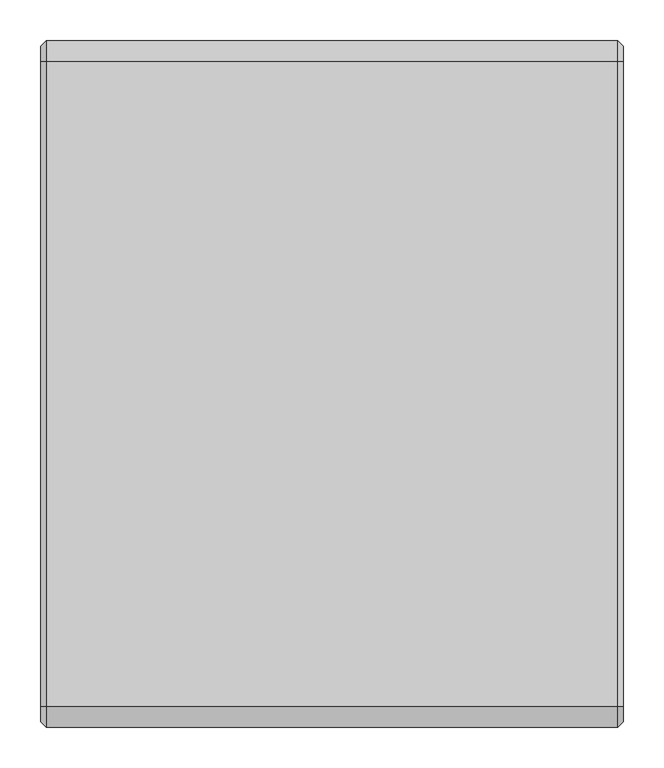
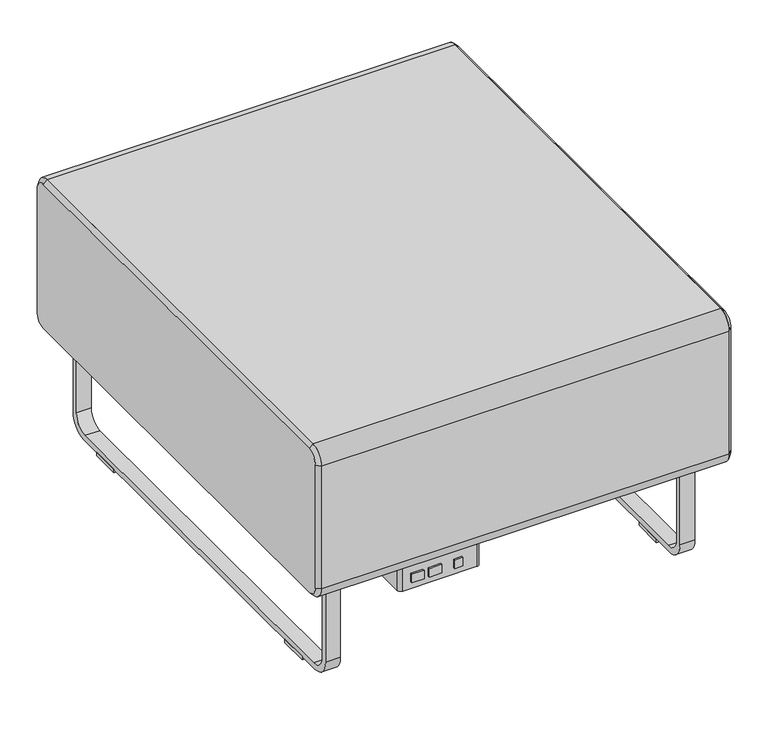
"""IFC4 building model written with IfcOpenShell, lengths in millimetres: furniture geometry."""

import ifcopenshell
import ifcopenshell.guid

model = None  # the IFC model being written
_history = None  # IfcOwnerHistory: only IFC2X3 demands one
_inside = {}  # id of a spatial element -> (the spatial element, [elements in it])
_under = {}  # id of a project, library or spatial element -> (it, [spatial elements below it])
_declared = {}  # id of a project -> (the project, [libraries it declares])
_typed = {}  # id of a type object -> (the type object, [elements of that type])
_made_of = {}  # id of a material, layer set ... -> (it, [elements and type objects made of it])


def new_model(schema):
    """Start an empty IFC model of exactly this schema.

    Asked for "IFC4X3", IfcOpenShell would pick the latest addendum, in which some entities
    have other attributes; the version numbers below select the first issue.
    IFC2X3 requires an IfcOwnerHistory on every rooted entity: one is made here for all.
    """
    global model, _history
    if schema == "IFC4X3":
        model = ifcopenshell.file(schema_version=(4, 3, 0, 0))
    else:
        model = ifcopenshell.file(schema=schema)
    _inside.clear()
    _under.clear()
    _declared.clear()
    _typed.clear()
    _made_of.clear()
    _history = None
    if model.schema == "IFC2X3":
        org = make("IfcOrganization", Name="unknown")
        user = make(
            "IfcPersonAndOrganization",
            ThePerson=make("IfcPerson", FamilyName="unknown"),
            TheOrganization=org,
        )
        app = make(
            "IfcApplication",
            ApplicationDeveloper=org,
            Version="unknown",
            ApplicationFullName="unknown",
            ApplicationIdentifier="unknown",
        )
        _history = make(
            "IfcOwnerHistory",
            OwningUser=user,
            OwningApplication=app,
            ChangeAction="ADDED",
            CreationDate=0,
        )
    return model


def make(cls, **values):
    """One entity of the class cls with the attributes given. An attribute that is None is left unset."""
    return model.create_entity(
        cls, **{name: value for name, value in values.items() if value is not None}
    )


def rooted(cls, **values):
    """An entity with a GlobalId (a new one), such as an element, a storey or a relation."""
    return make(cls, GlobalId=ifcopenshell.guid.new(), OwnerHistory=_history, **values)


def si_unit(unit_type, name, prefix=None):
    """IfcSIUnit, for example si_unit("LENGTHUNIT", "METRE", prefix="MILLI")."""
    return make("IfcSIUnit", UnitType=unit_type, Prefix=prefix, Name=name)


def assignment(units):
    """IfcUnitAssignment: the units of a project."""
    return None if units is None else make("IfcUnitAssignment", Units=units)


def point(xyz):
    """IfcCartesianPoint."""
    return None if xyz is None else make("IfcCartesianPoint", Coordinates=xyz)


def direction(xyz):
    """IfcDirection."""
    return None if xyz is None else make("IfcDirection", DirectionRatios=xyz)


def frame(location, z_axis=None, x_axis=None):
    """IfcAxis2Placement3D, a coordinate frame: its origin and axes. An axis left out is left unset."""
    return make(
        "IfcAxis2Placement3D",
        Location=point(location),
        Axis=direction(z_axis),
        RefDirection=direction(x_axis),
    )


def frame_2d(location, x_axis=None):
    """IfcAxis2Placement2D, a coordinate frame in the plane: its origin and x axis."""
    return make(
        "IfcAxis2Placement2D", Location=point(location), RefDirection=direction(x_axis)
    )


def origin():
    """The frame at (0, 0, 0) with its axes left unset."""
    return frame((0.0, 0.0, 0.0))


def origin_with_axes():
    """The frame at (0, 0, 0) with the z axis (0, 0, 1) and the x axis (1, 0, 0) written out."""
    return frame((0.0, 0.0, 0.0), z_axis=(0.0, 0.0, 1.0), x_axis=(1.0, 0.0, 0.0))


def place(relative_to, where):
    """IfcLocalPlacement: puts the frame where relative to a parent placement (None: the world)."""
    return make(
        "IfcLocalPlacement", PlacementRelTo=relative_to, RelativePlacement=where
    )


def context(
    kind, dimensions, precision=None, world=None, true_north=None, identifier=None
):
    """IfcGeometricRepresentationContext, for example the 3D "Model" context."""
    return make(
        "IfcGeometricRepresentationContext",
        ContextIdentifier=identifier,
        ContextType=kind,
        CoordinateSpaceDimension=dimensions,
        Precision=precision,
        WorldCoordinateSystem=world,
        TrueNorth=true_north,
    )


def project(units=None, contexts=None):
    """IfcProject with its units and contexts."""
    return rooted(
        "IfcProject",
        Name="project",
        RepresentationContexts=contexts,
        UnitsInContext=assignment(units),
    )


def spatial(cls, under=None, at=None, **own):
    """A site, building, storey or space (cls), placed at a placement, below another one or the project."""
    s = rooted(cls, ObjectPlacement=at, **own)
    if under is not None:
        _under.setdefault(under.id(), (under, []))[1].append(s)
    return s


def polyline(points):
    """IfcPolyline through the points."""
    return make("IfcPolyline", Points=[point(p) for p in points])


def circle_curve(where, radius):
    """IfcCircle in the frame where."""
    return make("IfcCircle", Position=where, Radius=radius)


def trimmed(basis, trim1, trim2, sense, master):
    """IfcTrimmedCurve: the piece of a basis curve between two trims."""
    return make(
        "IfcTrimmedCurve",
        BasisCurve=basis,
        Trim1=trim1,
        Trim2=trim2,
        SenseAgreement=sense,
        MasterRepresentation=master,
    )


def segment(curve, same_sense, transition):
    """IfcCompositeCurveSegment."""
    return make(
        "IfcCompositeCurveSegment",
        Transition=transition,
        SameSense=same_sense,
        ParentCurve=curve,
    )


def composite_curve(segments, self_intersect=None):
    """IfcCompositeCurve: segments joined end to end."""
    return make("IfcCompositeCurve", Segments=segments, SelfIntersect=self_intersect)


def outline(outer, holes=None, kind="AREA"):
    """IfcArbitraryClosedProfileDef: a profile drawn as a closed curve; with holes, ...WithVoids."""
    if holes is None:
        return make("IfcArbitraryClosedProfileDef", ProfileType=kind, OuterCurve=outer)
    return make(
        "IfcArbitraryProfileDefWithVoids",
        ProfileType=kind,
        OuterCurve=outer,
        InnerCurves=holes,
    )


def extrude(swept, where, along, depth):
    """IfcExtrudedAreaSolid: the profile swept, set in the frame where, extruded along a direction by depth."""
    return make(
        "IfcExtrudedAreaSolid",
        SweptArea=swept,
        Position=where,
        ExtrudedDirection=direction(along),
        Depth=depth,
    )


def shape(context_of_items, identifier, shape_type, items):
    """IfcShapeRepresentation: the items that make up one representation, for example the "Body"."""
    return make(
        "IfcShapeRepresentation",
        ContextOfItems=context_of_items,
        RepresentationIdentifier=identifier,
        RepresentationType=shape_type,
        Items=items,
    )


def source(mapping_origin, context_of_items, identifier, shape_type, items):
    """IfcRepresentationMap: a shape defined once, which mapped items show again and again."""
    return make(
        "IfcRepresentationMap",
        MappingOrigin=mapping_origin,
        MappedRepresentation=shape(context_of_items, identifier, shape_type, items),
    )


def transform(
    local_origin,
    x_axis=None,
    y_axis=None,
    z_axis=None,
    scale=None,
    scale2=None,
    scale3=None,
    uniform=True,
):
    """IfcCartesianTransformationOperator3D, or its non-uniform kind. x_axis, y_axis, z_axis: its Axis1, 2, 3."""
    if uniform:
        return make(
            "IfcCartesianTransformationOperator3D",
            Axis1=direction(x_axis),
            Axis2=direction(y_axis),
            LocalOrigin=point(local_origin),
            Scale=scale,
            Axis3=direction(z_axis),
        )
    return make(
        "IfcCartesianTransformationOperator3DnonUniform",
        Axis1=direction(x_axis),
        Axis2=direction(y_axis),
        LocalOrigin=point(local_origin),
        Scale=scale,
        Axis3=direction(z_axis),
        Scale2=scale2,
        Scale3=scale3,
    )


def mapped(mapping_source, mapping_target):
    """IfcMappedItem: shows the shape of a source again, moved by a transform."""
    return make(
        "IfcMappedItem", MappingSource=mapping_source, MappingTarget=mapping_target
    )


def made_of(thing, what):
    """Note that an element or type object is made of a material, layer set ...; save() writes the relation."""
    if what is not None:
        _made_of.setdefault(what.id(), (what, []))[1].append(thing)
    return thing


def element(
    cls,
    number,
    at=None,
    inside=None,
    cuts=None,
    type_object=None,
    material=None,
    context=None,
    identifier="Body",
    shape_type=None,
    held_by="IfcProductDefinitionShape",
    body=None,
    shapes=None,
    **own,
):
    """One element of the class cls, such as IfcWall. Its Tag is "e" and its number.

    at: its placement. inside: the storey or other place that contains it. cuts: it is an
    opening in that element (IfcRelVoidsElement). A single representation is given by context,
    identifier, shape_type and body (its items); several are given by shapes. held_by: the class
    of the entity that holds the representations. save() writes the other relations.
    """
    e = rooted(cls, Tag="e%d" % number, ObjectPlacement=at, **own)
    if body is not None:
        shapes = [shape(context, identifier, shape_type, body)]
    if shapes is not None:
        e.Representation = make(held_by, Representations=shapes)
    if inside is not None:
        _inside.setdefault(inside.id(), (inside, []))[1].append(e)
    if cuts is not None:
        rooted(
            "IfcRelVoidsElement", RelatingBuildingElement=cuts, RelatedOpeningElement=e
        )
    if type_object is not None:
        _typed.setdefault(type_object.id(), (type_object, []))[1].append(e)
    return made_of(e, material)


def aggregate(whole, parts):
    """IfcRelAggregates: a whole, such as a stair, and the parts it consists of."""
    return rooted("IfcRelAggregates", RelatingObject=whole, RelatedObjects=parts)


def save(model, path):
    """Write the relations noted so far, then the file.

    IfcRelAggregates (storeys below a building ...), IfcRelContainedInSpatialStructure (elements
    in a storey), IfcRelDefinesByType, IfcRelAssociatesMaterial and IfcRelDeclares: one each for
    every whole, place, type object, material and project.
    """
    for whole, parts in _under.values():
        aggregate(whole, parts)
    for where, things in _inside.values():
        rooted(
            "IfcRelContainedInSpatialStructure",
            RelatedElements=things,
            RelatingStructure=where,
        )
    for kind, things in _typed.values():
        rooted("IfcRelDefinesByType", RelatedObjects=things, RelatingType=kind)
    for what, things in _made_of.values():
        rooted("IfcRelAssociatesMaterial", RelatedObjects=things, RelatingMaterial=what)
    for by, libraries in _declared.values():
        rooted("IfcRelDeclares", RelatingContext=by, RelatedDefinitions=libraries)
    model.write(path)


def plane_surface(at):
    """IfcPlane: the flat surface through the origin of the frame at, square to its z axis."""
    return make("IfcPlane", Position=at)


def revolved_surface(curve, axis_point, axis_direction):
    """IfcSurfaceOfRevolution: the curve turned about the line through axis_point along axis_direction."""
    return make(
        "IfcSurfaceOfRevolution",
        SweptCurve=make("IfcArbitraryOpenProfileDef", ProfileType="CURVE", Curve=curve),
        AxisPosition=make("IfcAxis1Placement", Location=point(axis_point), Axis=direction(axis_direction)),
    )


def advanced_brep(points, edges, surfaces, faces):
    """IfcAdvancedBrep: a solid bounded by faces that lie on surfaces and meet in shared edges.

    An edge is (start, end): straight between two places in points (the first is 0);
    or (start, end, curve); or (start, end, curve, False) where it runs against its curve.
    A face is (place in surfaces, loops), or (place, loops, False) where it looks against
    its surface's normal. A loop lists edges by number (the first is 1), with a minus sign
    where the edge is run from its end to its start. The first loop is the outer one.
    """
    corners = [point(p) for p in points]
    vertices = [make("IfcVertexPoint", VertexGeometry=c) for c in corners]
    made = []
    for start, end, *more in edges:
        made.append(
            make(
                "IfcEdgeCurve",
                EdgeStart=vertices[start],
                EdgeEnd=vertices[end],
                EdgeGeometry=more[0] if more else make("IfcPolyline", Points=[corners[start], corners[end]]),
                SameSense=more[1] if len(more) > 1 else True,
            )
        )
    hull = []
    for where, loops, *sense in faces:
        bounds = []
        for j, loop in enumerate(loops):
            ring = [make("IfcOrientedEdge", EdgeElement=made[abs(k) - 1], Orientation=k > 0) for k in loop]
            bounds.append(
                make(
                    "IfcFaceOuterBound" if j == 0 else "IfcFaceBound",
                    Bound=make("IfcEdgeLoop", EdgeList=ring),
                    Orientation=True,
                )
            )
        hull.append(make("IfcAdvancedFace", Bounds=bounds, FaceSurface=surfaces[where], SameSense=sense[0] if sense else True))
    return make("IfcAdvancedBrep", Outer=make("IfcClosedShell", CfsFaces=hull))


def furniture_3268ae72(model_context):
    return source(origin(), model_context, "Body", "SolidModel", [
        extrude(outline(polyline([(-94.2135905, -367.8609794), (-108.0184165, -367.8609794), (-108.0184165, -364.6859794), (-94.2135905, -364.6859794), (-94.2135905, -367.8609794)])), frame((0.0, 0.0, 148.4693805), z_axis=(0.0, 0.0, 1.0), x_axis=(1.0, 0.0, 0.0)), (0.0, 0.0, 1.0), 15.3288336),
        extrude(outline(polyline([(-130.3260038, -367.8609794), (-151.7402709, -367.8609794), (-151.7402709, -364.6859794), (-130.3260038, -364.6859794), (-130.3260038, -367.8609794)])), frame((0.0, 0.0, 148.4693805), z_axis=(0.0, 0.0, 1.0), x_axis=(1.0, 0.0, 0.0)), (0.0, 0.0, 1.0), 15.3288336),
        extrude(outline(polyline([(-160.5520036, -367.8609794), (-181.4562055, -367.8609794), (-181.4562055, -364.6859794), (-160.5520036, -364.6859794), (-160.5520036, -367.8609794)])), frame((0.0, 0.0, 148.4693805), z_axis=(0.0, 0.0, 1.0), x_axis=(1.0, 0.0, 0.0)), (0.0, 0.0, 1.0), 15.3288336),
        extrude(outline(composite_curve([segment(trimmed(circle_curve(frame_2d((-62.7937537, -295.6297294)), 0.79375), [point((-62.7937537, -294.8359794))], [point((-62.0000037, -295.6297294))], False, "CARTESIAN"), True, "CONTINUOUS"), segment(polyline([(-62.0000037, -295.6297294), (-62.0000037, -358.3359794)]), True, "CONTINUOUS"), segment(trimmed(circle_curve(frame_2d((-68.3500037, -358.3359794)), 6.35), [point((-62.0000037, -358.3359794))], [point((-68.3500037, -364.6859794))], False, "CARTESIAN"), True, "CONTINUOUS"), segment(polyline([(-68.3500037, -364.6859794), (-195.3500037, -364.6859794)]), True, "CONTINUOUS"), segment(trimmed(circle_curve(frame_2d((-195.3500037, -358.3359794)), 6.35), [point((-195.3500037, -364.6859794))], [point((-201.7000037, -358.3359794))], False, "CARTESIAN"), True, "CONTINUOUS"), segment(polyline([(-201.7000037, -358.3359794), (-201.7000037, -295.6297294)]), True, "CONTINUOUS"), segment(trimmed(circle_curve(frame_2d((-200.9062537, -295.6297294)), 0.79375), [point((-201.7000037, -295.6297294))], [point((-200.9062537, -294.8359794))], False, "CARTESIAN"), True, "CONTINUOUS"), segment(polyline([(-200.9062537, -294.8359794), (-62.7937537, -294.8359794)]), True, "CONTINUOUS")], self_intersect=False)), frame((0.0, 0.0, 136.525), z_axis=(0.0, 0.0, 1.0), x_axis=(1.0, 0.0, 0.0)), (0.0, 0.0, 1.0), 44.45),
        extrude(outline(composite_curve([segment(trimmed(circle_curve(frame_2d((-52.4750037, -304.3609794)), 3.175), [point((-52.4750037, -301.1859794))], [point((-49.3000037, -304.3609794))], False, "CARTESIAN"), True, "CONTINUOUS"), segment(polyline([(-49.3000037, -304.3609794), (-49.3000037, -355.1609794)]), True, "CONTINUOUS"), segment(trimmed(circle_curve(frame_2d((-52.4750037, -355.1609794)), 3.175), [point((-49.3000037, -355.1609794))], [point((-52.4750037, -358.3359794))], False, "CARTESIAN"), True, "CONTINUOUS"), segment(polyline([(-52.4750037, -358.3359794), (-211.2250037, -358.3359794)]), True, "CONTINUOUS"), segment(trimmed(circle_curve(frame_2d((-211.2250037, -355.1609794)), 3.175), [point((-211.2250037, -358.3359794))], [point((-214.4000037, -355.1609794))], False, "CARTESIAN"), True, "CONTINUOUS"), segment(polyline([(-214.4000037, -355.1609794), (-214.4000037, -304.3609794)]), True, "CONTINUOUS"), segment(trimmed(circle_curve(frame_2d((-211.2250037, -304.3609794)), 3.175), [point((-214.4000037, -304.3609794))], [point((-211.2250037, -301.1859794))], False, "CARTESIAN"), True, "CONTINUOUS"), segment(polyline([(-211.2250037, -301.1859794), (-52.4750037, -301.1859794)]), True, "CONTINUOUS")], self_intersect=False)), frame((0.0, 0.0, 180.975), z_axis=(0.0, 0.0, 1.0), x_axis=(1.0, 0.0, 0.0)), (0.0, 0.0, 1.0), 3.175),
        advanced_brep(
        [(-355.6, 422.7140206, 450.85), (-355.6, 441.7640206, 431.8), (-355.6, 441.7640206, 209.55), (-355.6, 422.7140206, 190.5), (-355.6, -364.6859794, 190.5), (-355.6, -383.7359794, 209.55), (-355.6, -383.7359794, 431.8), (-355.6, -364.6859794, 450.85), (-349.25, 422.7140206, 457.2), (-349.25, -364.6859794, 457.2), (-349.25, -390.0859794, 431.8), (-349.25, -390.0859794, 209.55), (-349.25, -364.6859794, 184.15), (-349.25, 422.7140206, 184.15), (-349.25, 448.1140206, 209.55), (-349.25, 448.1140206, 431.8)],
        [
            (0, 1, circle_curve(frame((-355.6, 422.7140206, 431.8), z_axis=(-1.0, 1.2363443602225392e-12, 0.0), x_axis=(0.0, 0.0, 1.0)), 19.05)),
            (1, 2),
            (2, 3, circle_curve(frame((-355.6, 422.7140206, 209.55), z_axis=(-1.0, -2.2595258997168617e-12, 0.0), x_axis=(-2.2595200572947225e-12, 1.0, 0.0)), 19.05)),
            (3, 4),
            (4, 5, circle_curve(frame((-355.6, -364.6859794, 209.55), z_axis=(-1.0, 2.184918912462339e-12, 0.0), x_axis=(0.0, 0.0, -1.0)), 19.05)),
            (5, 6),
            (6, 7, circle_curve(frame((-355.6, -364.6859794, 431.8), z_axis=(-1.0, 0.0, 1.6093792964965813e-12), x_axis=(0.0, -1.0, 0.0)), 19.05)),
            (7, 0),
            (8, 9),
            (9, 10, circle_curve(frame((-349.25, -364.6859794, 431.8), z_axis=(1.0, 0.0, -1.6093792964965813e-12), x_axis=(0.0, -1.0, 0.0)), 25.4)),
            (10, 11),
            (11, 12, circle_curve(frame((-349.25, -364.6859794, 209.55), z_axis=(1.0, -2.184918912462339e-12, 0.0), x_axis=(0.0, 0.0, -1.0)), 25.4)),
            (12, 13),
            (13, 14, circle_curve(frame((-349.25, 422.7140206, 209.55), z_axis=(1.0, 2.2595258997168617e-12, 0.0), x_axis=(-2.2595200572947225e-12, 1.0, 0.0)), 25.4)),
            (14, 15),
            (15, 8, circle_curve(frame((-349.25, 422.7140206, 431.8), z_axis=(1.0, -1.2363443602225392e-12, 0.0), x_axis=(0.0, 0.0, 1.0)), 25.4)),
            (14, 2),
            (1, 15),
            (12, 4),
            (3, 13),
            (10, 6),
            (5, 11),
            (8, 0),
            (7, 9),
        ],
        [
            plane_surface(frame((-355.6, 29.0140206, 320.675), z_axis=(-1.0, 0.0, 0.0), x_axis=(0.0, 1.0, 0.0))),
            plane_surface(frame((-349.25, 29.0140206, 320.675), z_axis=(1.0, 0.0, 0.0), x_axis=(0.0, 1.0, 0.0))),
            plane_surface(frame((-349.25, 448.1140206, 320.675), z_axis=(-0.7071067811862611, 0.7071067811868339, 0.0), x_axis=(0.0, 0.0, -1.0))),
            plane_surface(frame((-349.25, 29.0140206, 184.15), z_axis=(-0.7071067811863779, 0.0, -0.7071067811867171), x_axis=(0.0, -1.0, 0.0))),
            plane_surface(frame((-349.25, -390.0859794, 320.675), z_axis=(-0.7071067811869809, -0.7071067811861141, 0.0), x_axis=(0.0, 0.0, 1.0))),
            plane_surface(frame((-349.25, 29.0140206, 457.2), z_axis=(-0.7071067811865438, 0.0, 0.7071067811865513), x_axis=(0.0, 1.0, 0.0))),
            revolved_surface(polyline([(-355.60000000002356, 422.7140206, 450.84999999997643), (-349.25, 422.7140206, 457.2)]), (-374.65, 422.7140206, 431.8), (1.0, -1.2363443602225392e-12, 0.0)),
            revolved_surface(polyline([(-355.60000000004305, 441.76402059995695, 209.55), (-349.25, 448.1140206, 209.55)]), (-374.65, 422.7140206, 209.55), (1.0, 2.2595258997168617e-12, 0.0)),
            revolved_surface(polyline([(-355.6, -364.6859794, 190.50000000000003), (-349.2499999999445, -364.6859794, 184.1499999999445)]), (-374.65, -364.6859794, 209.55), (1.0, -2.184918912462339e-12, 0.0)),
            revolved_surface(polyline([(-355.60000000003066, -383.7359793999693, 431.8), (-349.25, -390.0859794, 431.8)]), (-374.65, -364.6859794, 431.8), (1.0, 0.0, -1.6093792964965813e-12)),
        ],
        [
            (0, [[1, 2, 3, 4, 5, 6, 7, 8]]),
            (1, [[9, 10, 11, 12, 13, 14, 15, 16]]),
            (2, [[-15, 17, -2, 18]]),
            (3, [[-13, 19, -4, 20]]),
            (4, [[-11, 21, -6, 22]]),
            (5, [[-9, 23, -8, 24]]),
            (6, [[-16, -18, -1, -23]]),
            (7, [[-14, -20, -3, -17]]),
            (8, [[-12, -22, -5, -19]]),
            (9, [[-10, -24, -7, -21]]),
        ],
    ),
        advanced_brep(
        [(355.6, 422.7140206, 450.85), (355.6, -364.6859794, 450.85), (355.6, -383.7359794, 431.8), (355.6, -383.7359794, 209.55), (355.6, -364.6859794, 190.5), (355.6, 422.7140206, 190.5), (355.6, 441.7640206, 209.55), (355.6, 441.7640206, 431.8), (349.25, 422.7140206, 457.2), (349.25, 448.1140206, 431.8), (349.25, 448.1140206, 209.55), (349.25, 422.7140206, 184.15), (349.25, -364.6859794, 184.15), (349.25, -390.0859794, 209.55), (349.25, -390.0859794, 431.8), (349.25, -364.6859794, 457.2)],
        [
            (0, 1),
            (1, 2, circle_curve(frame((355.6, -364.6859794, 431.8), z_axis=(1.0, 0.0, 1.6093792965025676e-12), x_axis=(-1.6093447701453035e-12, 0.0, 1.0)), 19.05)),
            (2, 3),
            (3, 4, circle_curve(frame((355.6, -364.6859794, 209.55), z_axis=(1.0, 2.184918912470443e-12, 0.0), x_axis=(2.1849406655033985e-12, -1.0, 0.0)), 19.05)),
            (4, 5),
            (5, 6, circle_curve(frame((355.6, 422.7140206, 209.55), z_axis=(1.0, -2.2595258997253868e-12, 0.0), x_axis=(0.0, 0.0, -1.0)), 19.05)),
            (6, 7),
            (7, 0, circle_curve(frame((355.6, 422.7140206, 431.8), z_axis=(1.0, 1.2363443602271248e-12, 0.0), x_axis=(-1.236290801964376e-12, 1.0, 0.0)), 19.05)),
            (8, 9, circle_curve(frame((349.25, 422.7140206, 431.8), z_axis=(-1.0, -1.2363443602271248e-12, 0.0), x_axis=(-1.236290801964376e-12, 1.0, 0.0)), 25.4)),
            (9, 10),
            (10, 11, circle_curve(frame((349.25, 422.7140206, 209.55), z_axis=(-1.0, 2.2595258997253868e-12, 0.0), x_axis=(0.0, 0.0, -1.0)), 25.4)),
            (11, 12),
            (12, 13, circle_curve(frame((349.25, -364.6859794, 209.55), z_axis=(-1.0, -2.184918912470443e-12, 0.0), x_axis=(2.1849406655033985e-12, -1.0, 0.0)), 25.4)),
            (13, 14),
            (14, 15, circle_curve(frame((349.25, -364.6859794, 431.8), z_axis=(-1.0, 0.0, -1.6093792965025676e-12), x_axis=(-1.6093447701453035e-12, 0.0, 1.0)), 25.4)),
            (15, 8),
            (9, 7),
            (6, 10),
            (11, 5),
            (4, 12),
            (13, 3),
            (2, 14),
            (15, 1),
            (0, 8),
        ],
        [
            plane_surface(frame((355.6, 29.0140206, 320.675), z_axis=(1.0, 0.0, 0.0), x_axis=(0.0, -1.0, 0.0))),
            plane_surface(frame((349.25, 29.0140206, 320.675), z_axis=(-1.0, 0.0, 0.0), x_axis=(0.0, -1.0, 0.0))),
            plane_surface(frame((349.25, 448.1140206, 320.675), z_axis=(0.7071067811875688, 0.7071067811855264, 0.0), x_axis=(0.0, 0.0, 1.0))),
            plane_surface(frame((349.25, 29.0140206, 184.15), z_axis=(0.7071067811876818, 0.0, -0.7071067811854133), x_axis=(0.0, 1.0, 0.0))),
            plane_surface(frame((349.25, -390.0859794, 320.675), z_axis=(0.7071067811883035, -0.7071067811847915, 0.0), x_axis=(0.0, 0.0, -1.0))),
            plane_surface(frame((349.25, 29.0140206, 457.2), z_axis=(0.7071067811878551, 0.0, 0.70710678118524), x_axis=(0.0, -1.0, 0.0))),
            revolved_surface(polyline([(355.6, 441.7640206, 431.8), (349.2499999999686, 448.1140206000314, 431.8)]), (374.65, 422.7140206, 431.8), (-1.0, -1.2363443602271248e-12, 0.0)),
            revolved_surface(polyline([(355.6, 422.7140206, 190.50000000000003), (349.2499999999426, 422.7140206, 184.14999999994262)]), (374.65, 422.7140206, 209.55), (-1.0, 2.2595258997253868e-12, 0.0)),
            revolved_surface(polyline([(355.60000000004163, -383.73597939995835, 209.55), (349.25, -390.0859794, 209.55)]), (374.65, -364.6859794, 209.55), (-1.0, -2.184918912470443e-12, 0.0)),
            revolved_surface(polyline([(355.6, -364.6859794, 450.84999999999997), (349.24999999995913, -364.6859794, 457.20000000004086)]), (374.65, -364.6859794, 431.8), (-1.0, 0.0, -1.6093792965025676e-12)),
        ],
        [
            (0, [[1, 2, 3, 4, 5, 6, 7, 8]]),
            (1, [[9, 10, 11, 12, 13, 14, 15, 16]]),
            (2, [[-10, 17, -7, 18]]),
            (3, [[-12, 19, -5, 20]]),
            (4, [[-14, 21, -3, 22]]),
            (5, [[-16, 23, -1, 24]]),
            (6, [[-9, -24, -8, -17]]),
            (7, [[-11, -18, -6, -19]]),
            (8, [[-13, -20, -4, -21]]),
            (9, [[-15, -22, -2, -23]]),
        ],
    ),
        extrude(outline(composite_curve([segment(trimmed(circle_curve(frame_2d((371.5140283, 38.1)), 31.75), [point((403.2640283, 38.1))], [point((371.5140283, 6.35))], False, "CARTESIAN"), True, "CONTINUOUS"), segment(polyline([(371.5140283, 6.35), (-313.4859554, 6.35)]), True, "CONTINUOUS"), segment(trimmed(circle_curve(frame_2d((-313.4859554, 38.1)), 31.75), [point((-313.4859554, 6.35))], [point((-345.2359554, 38.1))], False, "CARTESIAN"), True, "CONTINUOUS"), segment(polyline([(-345.2359554, 38.1), (-345.2359554, 177.8), (-335.7109554, 177.8), (-335.7109554, 41.275)]), True, "CONTINUOUS"), segment(trimmed(circle_curve(frame_2d((-310.3109554, 41.275)), 25.4), [point((-335.7109554, 41.275))], [point((-310.3109554, 15.875))], True, "CARTESIAN"), True, "CONTINUOUS"), segment(polyline([(-310.3109554, 15.875), (368.3390283, 15.875)]), True, "CONTINUOUS"), segment(trimmed(circle_curve(frame_2d((368.3390283, 41.275)), 25.4), [point((368.3390283, 15.875))], [point((393.7390283, 41.275))], True, "CARTESIAN"), True, "CONTINUOUS"), segment(polyline([(393.7390283, 41.275), (393.7390283, 177.8), (403.2640283, 177.8), (403.2640283, 38.1)]), True, "CONTINUOUS")], self_intersect=False)), frame((290.5999947, 0.0, 0.0), z_axis=(1.0, 0.0, 0.0), x_axis=(0.0, 1.0, 0.0)), (0.0, 0.0, 1.0), 25.3999758),
        extrude(outline(polyline([(255.6749825, -345.2359554), (255.6749825, -284.9110039), (315.9999704, -284.9110039), (315.9999704, -345.2359554), (255.6749825, -345.2359554)])), frame((0.0, 0.0, 177.8), z_axis=(0.0, 0.0, 1.0), x_axis=(1.0, 0.0, 0.0)), (0.0, 0.0, 1.0), 6.35),
        extrude(outline(polyline([(255.6749825, 403.2640283), (315.9999704, 403.2640283), (315.9999704, 342.9390268), (255.6749825, 342.9390268), (255.6749825, 403.2640283)])), frame((0.0, 0.0, 177.8), z_axis=(0.0, 0.0, 1.0), x_axis=(1.0, 0.0, 0.0)), (0.0, 0.0, 1.0), 6.35),
        extrude(outline(polyline([(290.5999947, -275.3109358), (290.5999947, -224.5109842), (315.9999704, -224.5109842), (315.9999704, -275.3109358), (290.5999947, -275.3109358)])), origin_with_axes(), (0.0, 0.0, 1.0), 6.35),
        extrude(outline(polyline([(290.5999947, 333.3390314), (315.9999704, 333.3390314), (315.9999704, 282.5390253), (290.5999947, 282.5390253), (290.5999947, 333.3390314)])), origin_with_axes(), (0.0, 0.0, 1.0), 6.35),
        extrude(outline(polyline([(-255.6750007, -345.2359554), (-316.0000022, -345.2359554), (-316.0000022, -284.9110039), (-255.6750007, -284.9110039), (-255.6750007, -345.2359554)])), frame((0.0, 0.0, 177.8), z_axis=(0.0, 0.0, 1.0), x_axis=(1.0, 0.0, 0.0)), (0.0, 0.0, 1.0), 6.35),
        extrude(outline(polyline([(-255.6750007, 403.2640283), (-255.6750007, 342.9390268), (-316.0000022, 342.9390268), (-316.0000022, 403.2640283), (-255.6750007, 403.2640283)])), frame((0.0, 0.0, 177.8), z_axis=(0.0, 0.0, 1.0), x_axis=(1.0, 0.0, 0.0)), (0.0, 0.0, 1.0), 6.35),
        extrude(outline(polyline([(-290.6000037, -275.3109358), (-316.0000022, -275.3109358), (-316.0000022, -224.5109842), (-290.6000037, -224.5109842), (-290.6000037, -275.3109358)])), origin_with_axes(), (0.0, 0.0, 1.0), 6.35),
        extrude(outline(polyline([(-290.6000037, 333.3390314), (-290.6000037, 282.5390253), (-316.0000022, 282.5390253), (-316.0000022, 333.3390314), (-290.6000037, 333.3390314)])), origin_with_axes(), (0.0, 0.0, 1.0), 6.35),
        extrude(outline(composite_curve([segment(trimmed(circle_curve(frame_2d((371.5140283, 38.1)), 31.75), [point((403.2640283, 38.1))], [point((371.5140283, 6.35))], False, "CARTESIAN"), True, "CONTINUOUS"), segment(polyline([(371.5140283, 6.35), (-313.4859554, 6.35)]), True, "CONTINUOUS"), segment(trimmed(circle_curve(frame_2d((-313.4859554, 38.1)), 31.75), [point((-313.4859554, 6.35))], [point((-345.2359554, 38.1))], False, "CARTESIAN"), True, "CONTINUOUS"), segment(polyline([(-345.2359554, 38.1), (-345.2359554, 177.8), (-335.7109554, 177.8), (-335.7109554, 41.275)]), True, "CONTINUOUS"), segment(trimmed(circle_curve(frame_2d((-310.3109554, 41.275)), 25.4), [point((-335.7109554, 41.275))], [point((-310.3109554, 15.875))], True, "CARTESIAN"), True, "CONTINUOUS"), segment(polyline([(-310.3109554, 15.875), (368.3390283, 15.875)]), True, "CONTINUOUS"), segment(trimmed(circle_curve(frame_2d((368.3390283, 41.275)), 25.4), [point((368.3390283, 15.875))], [point((393.7390283, 41.275))], True, "CARTESIAN"), True, "CONTINUOUS"), segment(polyline([(393.7390283, 41.275), (393.7390283, 177.8), (403.2640283, 177.8), (403.2640283, 38.1)]), True, "CONTINUOUS")], self_intersect=False)), frame((-316.0000022, 0.0, 0.0), z_axis=(1.0, 0.0, 0.0), x_axis=(0.0, 1.0, 0.0)), (0.0, 0.0, 1.0), 25.3999985),
        extrude(outline(composite_curve([segment(polyline([(-364.6859794, 457.2), (422.7140206, 457.2)]), True, "CONTINUOUS"), segment(trimmed(circle_curve(frame_2d((422.7140206, 431.8)), 25.4), [point((422.7140206, 457.2))], [point((448.1140206, 431.8))], False, "CARTESIAN"), True, "CONTINUOUS"), segment(polyline([(448.1140206, 431.8), (448.1140206, 209.55)]), True, "CONTINUOUS"), segment(trimmed(circle_curve(frame_2d((422.7140206, 209.55)), 25.4), [point((448.1140206, 209.55))], [point((422.7140206, 184.15))], False, "CARTESIAN"), True, "CONTINUOUS"), segment(polyline([(422.7140206, 184.15), (-364.6859794, 184.15)]), True, "CONTINUOUS"), segment(trimmed(circle_curve(frame_2d((-364.6859794, 209.55)), 25.4), [point((-364.6859794, 184.15))], [point((-390.0859794, 209.55))], False, "CARTESIAN"), True, "CONTINUOUS"), segment(polyline([(-390.0859794, 209.55), (-390.0859794, 431.8)]), True, "CONTINUOUS"), segment(trimmed(circle_curve(frame_2d((-364.6859794, 431.8)), 25.4), [point((-390.0859794, 431.8))], [point((-364.6859794, 457.2))], False, "CARTESIAN"), True, "CONTINUOUS")], self_intersect=False)), frame((-349.25, 0.0, 0.0), z_axis=(1.0, 0.0, 0.0), x_axis=(0.0, 1.0, 0.0)), (0.0, 0.0, 1.0), 698.5),
    ])


if __name__ == "__main__":
    model = new_model("IFC4")
    model_context = context("Model", 3, world=origin())
    ifc_project = project(units=[si_unit("LENGTHUNIT", "METRE", prefix="MILLI")], contexts=[model_context])
    site = spatial("IfcSite", under=ifc_project)
    building = spatial("IfcBuilding", under=site)
    placement = place(None, origin())
    furniture_shape = furniture_3268ae72(model_context)
    element("IfcFurniture", 1, at=placement, inside=building, context=model_context, shape_type="MappedRepresentation", body=[
        mapped(furniture_shape, transform((0.0, 0.0, 0.0), x_axis=(1.0, 0.0, 0.0), y_axis=(0.0, 1.0, 0.0), z_axis=(0.0, 0.0, 1.0))),
    ])
    save(model, "model.ifc")
